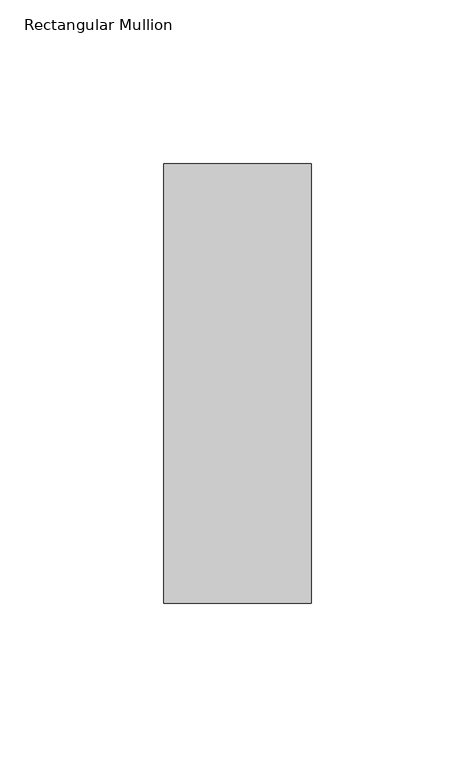
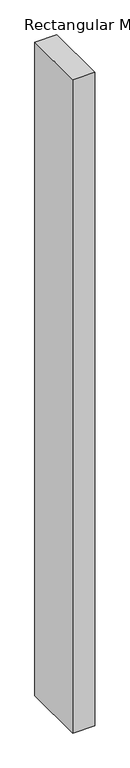
"""IFC4 building model written with IfcOpenShell, lengths in millimetres: member geometry, Rectangular Mullion."""

from ifc_helpers import new_model, si_unit, frame, origin, place, context, project, spatial, polyline, outline, extrude, source, transform, mapped, element, save


def rectangular_mullion_ec3802c5(model_context):
    return source(origin(), model_context, "Body", "SweptSolid", [
        extrude(outline(polyline([(0.0, 82.60625), (0.0, -51.60625), (-45.0, -51.60625), (-45.0, 82.60625), (0.0, 82.60625)])), frame((0.0, 0.0, -1416.8930608), z_axis=(0.0, 0.0, 1.0), x_axis=(1.0, 0.0, 0.0)), (0.0, 0.0, 1.0), 1416.8930608),
    ])


if __name__ == "__main__":
    model = new_model("IFC4")
    model_context = context("Model", 3, world=origin())
    ifc_project = project(units=[si_unit("LENGTHUNIT", "METRE", prefix="MILLI")], contexts=[model_context])
    site = spatial("IfcSite", under=ifc_project)
    building = spatial("IfcBuilding", under=site)
    placement = place(None, origin())
    rectangular_mullion_shape = rectangular_mullion_ec3802c5(model_context)
    element("IfcMember", 1, ObjectType="Rectangular Mullion", at=placement, inside=building, context=model_context, shape_type="MappedRepresentation", body=[
        mapped(rectangular_mullion_shape, transform((0.0, 0.0, 0.0), x_axis=(1.0, 0.0, 0.0), y_axis=(0.0, 1.0, 0.0), z_axis=(0.0, 0.0, 1.0))),
    ])
    save(model, "model.ifc")
